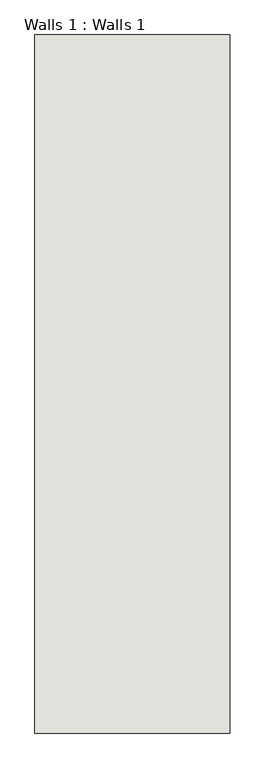
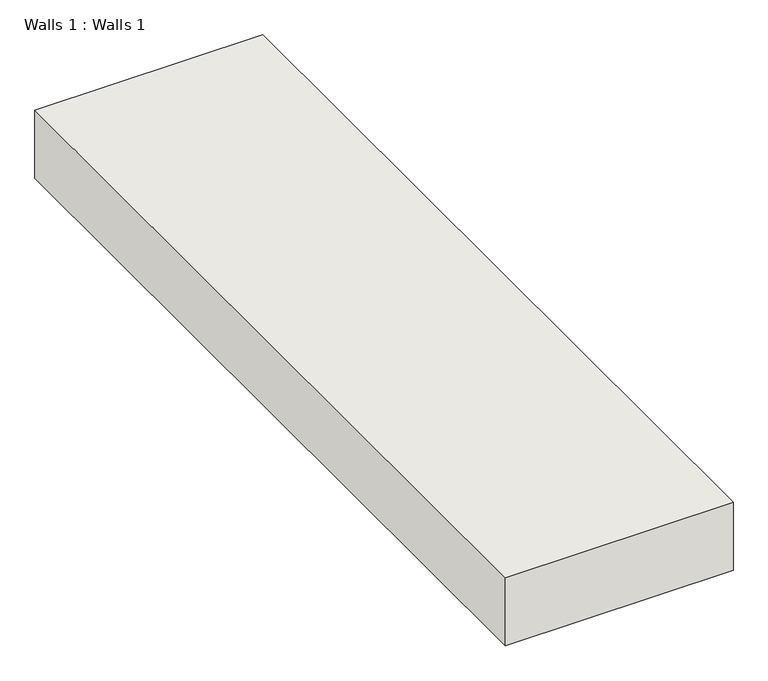
"""IFC4 building model written with IfcOpenShell, lengths in millimetres: wall geometry, Walls 1 : Walls 1."""

import ifcopenshell
import ifcopenshell.guid

model = None  # the IFC model being written
_history = None  # IfcOwnerHistory: only IFC2X3 demands one
_inside = {}  # id of a spatial element -> (the spatial element, [elements in it])
_under = {}  # id of a project, library or spatial element -> (it, [spatial elements below it])
_declared = {}  # id of a project -> (the project, [libraries it declares])
_typed = {}  # id of a type object -> (the type object, [elements of that type])
_made_of = {}  # id of a material, layer set ... -> (it, [elements and type objects made of it])


def new_model(schema):
    """Start an empty IFC model of exactly this schema.

    Asked for "IFC4X3", IfcOpenShell would pick the latest addendum, in which some entities
    have other attributes; the version numbers below select the first issue.
    IFC2X3 requires an IfcOwnerHistory on every rooted entity: one is made here for all.
    """
    global model, _history
    if schema == "IFC4X3":
        model = ifcopenshell.file(schema_version=(4, 3, 0, 0))
    else:
        model = ifcopenshell.file(schema=schema)
    _inside.clear()
    _under.clear()
    _declared.clear()
    _typed.clear()
    _made_of.clear()
    _history = None
    if model.schema == "IFC2X3":
        org = make("IfcOrganization", Name="unknown")
        user = make(
            "IfcPersonAndOrganization",
            ThePerson=make("IfcPerson", FamilyName="unknown"),
            TheOrganization=org,
        )
        app = make(
            "IfcApplication",
            ApplicationDeveloper=org,
            Version="unknown",
            ApplicationFullName="unknown",
            ApplicationIdentifier="unknown",
        )
        _history = make(
            "IfcOwnerHistory",
            OwningUser=user,
            OwningApplication=app,
            ChangeAction="ADDED",
            CreationDate=0,
        )
    return model


def make(cls, **values):
    """One entity of the class cls with the attributes given. An attribute that is None is left unset."""
    return model.create_entity(
        cls, **{name: value for name, value in values.items() if value is not None}
    )


def rooted(cls, **values):
    """An entity with a GlobalId (a new one), such as an element, a storey or a relation."""
    return make(cls, GlobalId=ifcopenshell.guid.new(), OwnerHistory=_history, **values)


def si_unit(unit_type, name, prefix=None):
    """IfcSIUnit, for example si_unit("LENGTHUNIT", "METRE", prefix="MILLI")."""
    return make("IfcSIUnit", UnitType=unit_type, Prefix=prefix, Name=name)


def assignment(units):
    """IfcUnitAssignment: the units of a project."""
    return None if units is None else make("IfcUnitAssignment", Units=units)


def point(xyz):
    """IfcCartesianPoint."""
    return None if xyz is None else make("IfcCartesianPoint", Coordinates=xyz)


def direction(xyz):
    """IfcDirection."""
    return None if xyz is None else make("IfcDirection", DirectionRatios=xyz)


def frame(location, z_axis=None, x_axis=None):
    """IfcAxis2Placement3D, a coordinate frame: its origin and axes. An axis left out is left unset."""
    return make(
        "IfcAxis2Placement3D",
        Location=point(location),
        Axis=direction(z_axis),
        RefDirection=direction(x_axis),
    )


def origin():
    """The frame at (0, 0, 0) with its axes left unset."""
    return frame((0.0, 0.0, 0.0))


def place(relative_to, where):
    """IfcLocalPlacement: puts the frame where relative to a parent placement (None: the world)."""
    return make(
        "IfcLocalPlacement", PlacementRelTo=relative_to, RelativePlacement=where
    )


def context(
    kind, dimensions, precision=None, world=None, true_north=None, identifier=None
):
    """IfcGeometricRepresentationContext, for example the 3D "Model" context."""
    return make(
        "IfcGeometricRepresentationContext",
        ContextIdentifier=identifier,
        ContextType=kind,
        CoordinateSpaceDimension=dimensions,
        Precision=precision,
        WorldCoordinateSystem=world,
        TrueNorth=true_north,
    )


def project(units=None, contexts=None):
    """IfcProject with its units and contexts."""
    return rooted(
        "IfcProject",
        Name="project",
        RepresentationContexts=contexts,
        UnitsInContext=assignment(units),
    )


def spatial(cls, under=None, at=None, **own):
    """A site, building, storey or space (cls), placed at a placement, below another one or the project."""
    s = rooted(cls, ObjectPlacement=at, **own)
    if under is not None:
        _under.setdefault(under.id(), (under, []))[1].append(s)
    return s


def polyline(points):
    """IfcPolyline through the points."""
    return make("IfcPolyline", Points=[point(p) for p in points])


def outline(outer, holes=None, kind="AREA"):
    """IfcArbitraryClosedProfileDef: a profile drawn as a closed curve; with holes, ...WithVoids."""
    if holes is None:
        return make("IfcArbitraryClosedProfileDef", ProfileType=kind, OuterCurve=outer)
    return make(
        "IfcArbitraryProfileDefWithVoids",
        ProfileType=kind,
        OuterCurve=outer,
        InnerCurves=holes,
    )


def extrude(swept, where, along, depth):
    """IfcExtrudedAreaSolid: the profile swept, set in the frame where, extruded along a direction by depth."""
    return make(
        "IfcExtrudedAreaSolid",
        SweptArea=swept,
        Position=where,
        ExtrudedDirection=direction(along),
        Depth=depth,
    )


def shape(context_of_items, identifier, shape_type, items):
    """IfcShapeRepresentation: the items that make up one representation, for example the "Body"."""
    return make(
        "IfcShapeRepresentation",
        ContextOfItems=context_of_items,
        RepresentationIdentifier=identifier,
        RepresentationType=shape_type,
        Items=items,
    )


def source(mapping_origin, context_of_items, identifier, shape_type, items):
    """IfcRepresentationMap: a shape defined once, which mapped items show again and again."""
    return make(
        "IfcRepresentationMap",
        MappingOrigin=mapping_origin,
        MappedRepresentation=shape(context_of_items, identifier, shape_type, items),
    )


def transform(
    local_origin,
    x_axis=None,
    y_axis=None,
    z_axis=None,
    scale=None,
    scale2=None,
    scale3=None,
    uniform=True,
):
    """IfcCartesianTransformationOperator3D, or its non-uniform kind. x_axis, y_axis, z_axis: its Axis1, 2, 3."""
    if uniform:
        return make(
            "IfcCartesianTransformationOperator3D",
            Axis1=direction(x_axis),
            Axis2=direction(y_axis),
            LocalOrigin=point(local_origin),
            Scale=scale,
            Axis3=direction(z_axis),
        )
    return make(
        "IfcCartesianTransformationOperator3DnonUniform",
        Axis1=direction(x_axis),
        Axis2=direction(y_axis),
        LocalOrigin=point(local_origin),
        Scale=scale,
        Axis3=direction(z_axis),
        Scale2=scale2,
        Scale3=scale3,
    )


def mapped(mapping_source, mapping_target):
    """IfcMappedItem: shows the shape of a source again, moved by a transform."""
    return make(
        "IfcMappedItem", MappingSource=mapping_source, MappingTarget=mapping_target
    )


def made_of(thing, what):
    """Note that an element or type object is made of a material, layer set ...; save() writes the relation."""
    if what is not None:
        _made_of.setdefault(what.id(), (what, []))[1].append(thing)
    return thing


def element(
    cls,
    number,
    at=None,
    inside=None,
    cuts=None,
    type_object=None,
    material=None,
    context=None,
    identifier="Body",
    shape_type=None,
    held_by="IfcProductDefinitionShape",
    body=None,
    shapes=None,
    **own,
):
    """One element of the class cls, such as IfcWall. Its Tag is "e" and its number.

    at: its placement. inside: the storey or other place that contains it. cuts: it is an
    opening in that element (IfcRelVoidsElement). A single representation is given by context,
    identifier, shape_type and body (its items); several are given by shapes. held_by: the class
    of the entity that holds the representations. save() writes the other relations.
    """
    e = rooted(cls, Tag="e%d" % number, ObjectPlacement=at, **own)
    if body is not None:
        shapes = [shape(context, identifier, shape_type, body)]
    if shapes is not None:
        e.Representation = make(held_by, Representations=shapes)
    if inside is not None:
        _inside.setdefault(inside.id(), (inside, []))[1].append(e)
    if cuts is not None:
        rooted(
            "IfcRelVoidsElement", RelatingBuildingElement=cuts, RelatedOpeningElement=e
        )
    if type_object is not None:
        _typed.setdefault(type_object.id(), (type_object, []))[1].append(e)
    return made_of(e, material)


def aggregate(whole, parts):
    """IfcRelAggregates: a whole, such as a stair, and the parts it consists of."""
    return rooted("IfcRelAggregates", RelatingObject=whole, RelatedObjects=parts)


def save(model, path):
    """Write the relations noted so far, then the file.

    IfcRelAggregates (storeys below a building ...), IfcRelContainedInSpatialStructure (elements
    in a storey), IfcRelDefinesByType, IfcRelAssociatesMaterial and IfcRelDeclares: one each for
    every whole, place, type object, material and project.
    """
    for whole, parts in _under.values():
        aggregate(whole, parts)
    for where, things in _inside.values():
        rooted(
            "IfcRelContainedInSpatialStructure",
            RelatedElements=things,
            RelatingStructure=where,
        )
    for kind, things in _typed.values():
        rooted("IfcRelDefinesByType", RelatedObjects=things, RelatingType=kind)
    for what, things in _made_of.values():
        rooted("IfcRelAssociatesMaterial", RelatedObjects=things, RelatingMaterial=what)
    for by, libraries in _declared.values():
        rooted("IfcRelDeclares", RelatingContext=by, RelatedDefinitions=libraries)
    model.write(path)


def walls_1_walls_1_d9e92bb4(model_context):
    return source(origin(), model_context, "Body", "SweptSolid", [
        extrude(outline(polyline([(15658.9409002, -10416.4114294), (15658.9409002, -12143.6114294), (15176.3409002, -12143.6114294), (15176.3409002, -10416.4114294), (15658.9409002, -10416.4114294)])), frame((0.0, 0.0, -304.8), z_axis=(0.0, 0.0, 1.0), x_axis=(1.0, 0.0, 0.0)), (0.0, 0.0, 1.0), 152.4),
    ])


if __name__ == "__main__":
    model = new_model("IFC4")
    model_context = context("Model", 3, world=origin())
    ifc_project = project(units=[si_unit("LENGTHUNIT", "METRE", prefix="MILLI")], contexts=[model_context])
    site = spatial("IfcSite", under=ifc_project)
    building = spatial("IfcBuilding", under=site)
    placement = place(None, origin())
    walls_1_walls_1_shape = walls_1_walls_1_d9e92bb4(model_context)
    element("IfcWall", 1, ObjectType="Walls 1 : Walls 1", at=placement, inside=building, context=model_context, shape_type="MappedRepresentation", body=[
        mapped(walls_1_walls_1_shape, transform((0.0, 0.0, 0.0), x_axis=(1.0, 0.0, 0.0), y_axis=(0.0, 1.0, 0.0), z_axis=(0.0, 0.0, 1.0))),
    ])
    save(model, "model.ifc")
